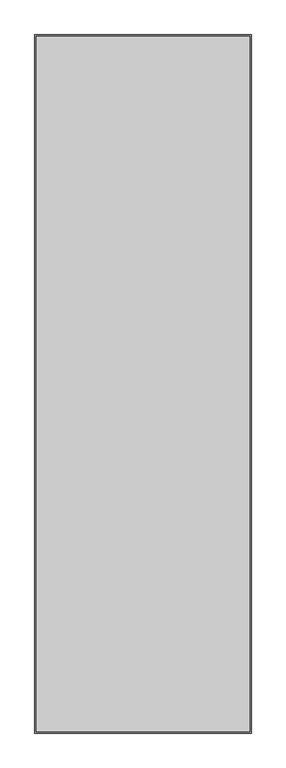
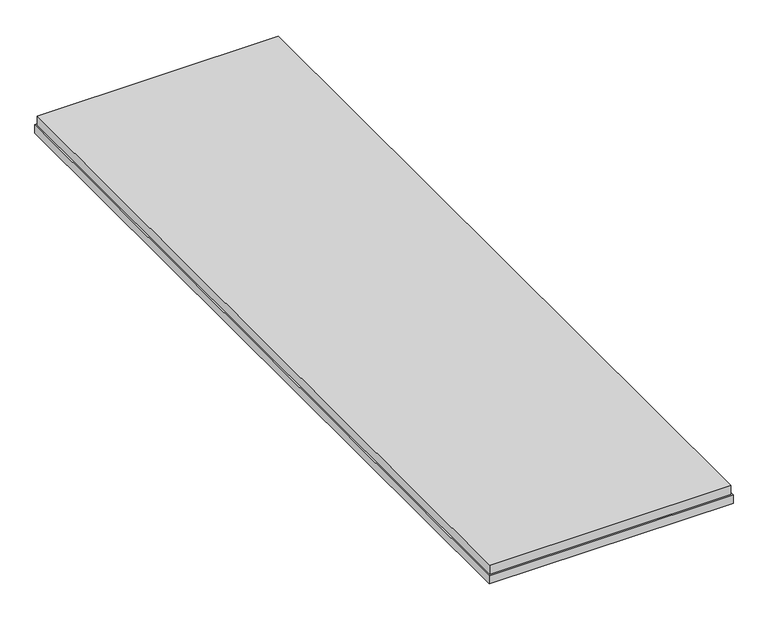
"""IFC4 building model written with IfcOpenShell, lengths in millimetres: proxy geometry."""

from ifc_helpers import new_model, si_unit, frame, origin, place, context, project, spatial, polyline, outline, extrude, source, transform, mapped, element, save


def generic_models_51f34d10(model_context):
    return source(origin(), model_context, "Body", "SweptSolid", [
        extrude(outline(polyline([(737.0, -91.0), (737.0, -2281.0), (63.0, -2281.0), (63.0, -91.0), (737.0, -91.0)])), frame((0.0, 0.0, -43.0), z_axis=(0.0, 0.0, 1.0), x_axis=(1.0, 0.0, 0.0)), (0.0, 0.0, 1.0), 27.0),
        extrude(outline(polyline([(59.0, -87.0), (741.0, -87.0), (741.0, -2285.0), (59.0, -2285.0), (59.0, -87.0)]), holes=[polyline([(723.0, -105.0), (77.0, -105.0), (77.0, -2267.0), (723.0, -2267.0), (723.0, -105.0)])]), frame((0.0, 0.0, -68.0), z_axis=(0.0, 0.0, 1.0), x_axis=(1.0, 0.0, 0.0)), (0.0, 0.0, 1.0), 25.0),
    ])


if __name__ == "__main__":
    model = new_model("IFC4")
    model_context = context("Model", 3, world=origin())
    ifc_project = project(units=[si_unit("LENGTHUNIT", "METRE", prefix="MILLI")], contexts=[model_context])
    site = spatial("IfcSite", under=ifc_project)
    building = spatial("IfcBuilding", under=site)
    placement = place(None, origin())
    generic_models_shape = generic_models_51f34d10(model_context)
    element("IfcBuildingElementProxy", 1, Name="Generic Models", at=placement, inside=building, context=model_context, shape_type="MappedRepresentation", body=[
        mapped(generic_models_shape, transform((0.0, 0.0, 0.0), x_axis=(1.0, 0.0, 0.0), y_axis=(0.0, 1.0, 0.0), z_axis=(0.0, 0.0, 1.0))),
    ])
    save(model, "model.ifc")
